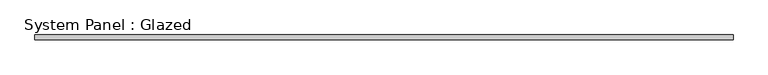
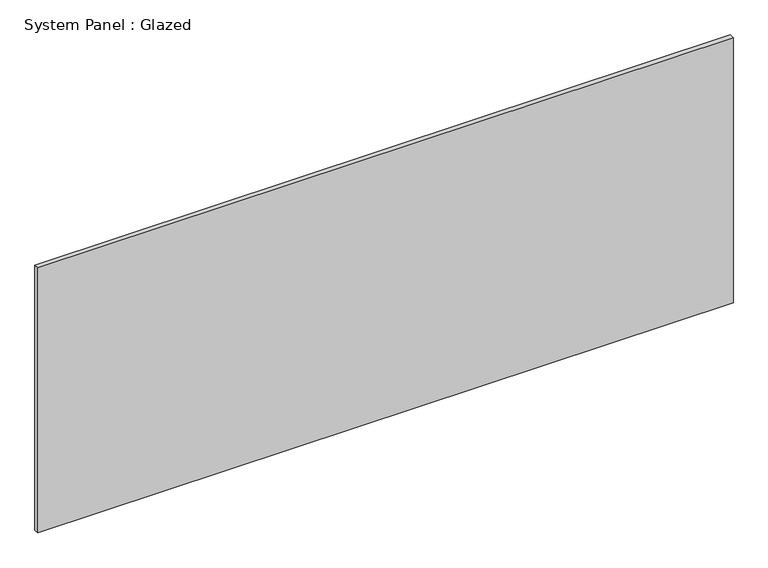
"""IFC4 building model written with IfcOpenShell, lengths in millimetres: plate geometry, System Panel : Glazed."""

from ifc_helpers import new_model, si_unit, origin, origin_with_axes, place, context, project, spatial, polyline, outline, extrude, source, transform, mapped, element, save


def system_panel_glazed_f122a9f7(model_context):
    return source(origin(), model_context, "Body", "SweptSolid", [
        extrude(outline(polyline([(1812.925, 19.05), (-1812.925, 19.05), (-1812.925, 44.45), (1812.925, 44.45), (1812.925, 19.05)])), origin_with_axes(), (0.0, 0.0, 1.0), 1460.5),
    ])


if __name__ == "__main__":
    model = new_model("IFC4")
    model_context = context("Model", 3, world=origin())
    ifc_project = project(units=[si_unit("LENGTHUNIT", "METRE", prefix="MILLI")], contexts=[model_context])
    site = spatial("IfcSite", under=ifc_project)
    building = spatial("IfcBuilding", under=site)
    placement = place(None, origin())
    system_panel_glazed_shape = system_panel_glazed_f122a9f7(model_context)
    element("IfcPlate", 1, ObjectType="System Panel : Glazed", at=placement, inside=building, context=model_context, shape_type="MappedRepresentation", body=[
        mapped(system_panel_glazed_shape, transform((0.0, 0.0, 0.0), x_axis=(1.0, 0.0, 0.0), y_axis=(0.0, 1.0, 0.0), z_axis=(0.0, 0.0, 1.0))),
    ])
    save(model, "model.ifc")
